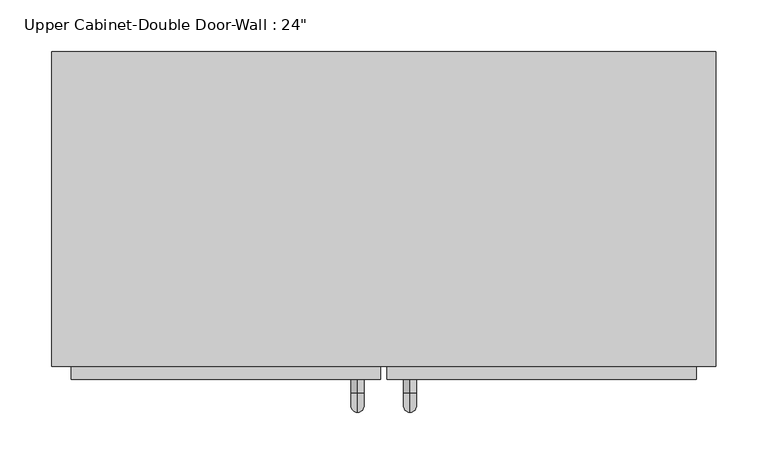
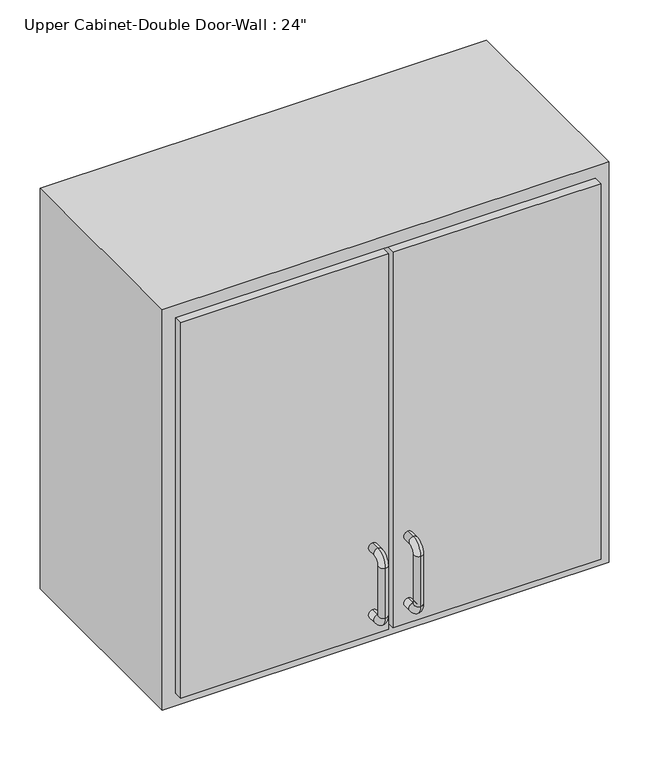
"""IFC4 building model written with IfcOpenShell, lengths in millimetres: furniture geometry."""

from ifc_helpers import new_model, si_unit, point, frame, origin, place, context, project, spatial, polyline, circle_curve, ellipse_curve, trimmed, outline, extrude, faceted_brep, source, transform, mapped, element, save
from ifc_brep_helpers import plane_surface, cylinder_surface, revolved_surface, advanced_brep


def furniture_af4d2b7a(model_context):
    return source(origin(), model_context, "Body", "SolidModel", [
        faceted_brep([(-291.7857108, -76.2, 2133.6), (351.3280364, -76.2, 2133.6), (351.3280364, -76.2, 1524.0), (-291.7857108, -76.2, 1524.0), (-291.7857108, -381.0, 2133.6), (-291.7857108, -381.0, 1524.0), (351.3280364, -381.0, 1524.0), (351.3280364, -381.0, 2133.6), (-272.7357108, -381.0, 2114.55), (332.2780364, -381.0, 2114.55), (332.2780364, -381.0, 1543.05), (-272.7357108, -381.0, 1543.05), (-272.7357108, -95.25, 2114.55), (332.2780364, -95.25, 2114.55), (332.2780364, -95.25, 1543.05), (-272.7357108, -95.25, 1543.05)], [[[0, 1, 2, 3]], [[4, 5, 6, 7], [8, 9, 10, 11]], [[3, 5, 4, 0]], [[2, 6, 5, 3]], [[1, 7, 6, 2]], [[0, 4, 7, 1]], [[8, 12, 13, 9]], [[9, 13, 14, 10]], [[10, 14, 15, 11]], [[11, 15, 12, 8]], [[12, 15, 14, 13]]]),
        advanced_brep(
        [(55.1711628, -393.7, 1670.05), (55.1711628, -393.7, 1682.75), (55.1711628, -406.4, 1682.75), (55.1711628, -406.4, 1670.05), (55.1711628, -425.45, 1663.7), (55.1711628, -412.75, 1663.7), (55.1711628, -425.45, 1587.5), (55.1711628, -412.75, 1587.5), (55.1711628, -406.4, 1568.45), (55.1711628, -406.4, 1581.15), (55.1711628, -393.7, 1581.15), (55.1711628, -393.7, 1568.45)],
        [
            (0, 1, circle_curve(frame((55.1711628, -393.7, 1676.4), z_axis=(0.0, 1.0, 0.0), x_axis=(0.0, 0.0, -1.0)), 6.35)),
            (1, 0, circle_curve(frame((55.1711628, -393.7, 1676.4), z_axis=(0.0, 1.0, 0.0), x_axis=(0.0, 0.0, -1.0)), 6.35)),
            (1, 2),
            (2, 3, circle_curve(frame((55.1711628, -406.4, 1676.4), z_axis=(0.0, 1.0, 0.0), x_axis=(0.0, 0.0, -1.0)), 6.35)),
            (3, 0),
            (3, 2, circle_curve(frame((55.1711628, -406.4, 1676.4), z_axis=(0.0, 1.0, 0.0), x_axis=(0.0, 0.0, -1.0)), 6.35)),
            (4, 5, circle_curve(frame((55.1711628, -419.1, 1663.7), z_axis=(0.0, 0.0, 1.0), x_axis=(0.0, 1.0, 0.0)), 6.35)),
            (5, 3, circle_curve(frame((55.1711628, -406.4, 1663.7), z_axis=(-1.0, 0.0, 0.0), x_axis=(0.0, 0.0, 1.0)), 6.35)),
            (2, 4, circle_curve(frame((55.1711628, -406.4, 1663.7), z_axis=(1.0, 0.0, 0.0), x_axis=(0.0, 0.0, 1.0)), 19.05)),
            (5, 4, circle_curve(frame((55.1711628, -419.1, 1663.7), z_axis=(0.0, 0.0, 1.0), x_axis=(0.0, 1.0, 0.0)), 6.35)),
            (4, 6),
            (6, 7, circle_curve(frame((55.1711628, -419.1, 1587.5), z_axis=(0.0, 0.0, 1.0), x_axis=(0.0, 1.0, 0.0)), 6.35)),
            (7, 5),
            (7, 6, circle_curve(frame((55.1711628, -419.1, 1587.5), z_axis=(0.0, 0.0, 1.0), x_axis=(0.0, 1.0, 0.0)), 6.35)),
            (8, 9, circle_curve(frame((55.1711628, -406.4, 1574.8), z_axis=(0.0, -1.0, 0.0), x_axis=(0.0, 0.0, 1.0)), 6.35)),
            (9, 7, circle_curve(frame((55.1711628, -406.4, 1587.5), z_axis=(-1.0, 0.0, 0.0), x_axis=(0.0, -1.0, 0.0)), 6.35)),
            (6, 8, circle_curve(frame((55.1711628, -406.4, 1587.5), z_axis=(1.0, 0.0, 0.0), x_axis=(0.0, -1.0, 0.0)), 19.05)),
            (9, 8, circle_curve(frame((55.1711628, -406.4, 1574.8), z_axis=(0.0, -1.0, 0.0), x_axis=(0.0, 0.0, 1.0)), 6.35)),
            (10, 11, circle_curve(frame((55.1711628, -393.7, 1574.8), z_axis=(0.0, 1.0, 0.0), x_axis=(0.0, 0.0, 1.0)), 6.35)),
            (11, 10, circle_curve(frame((55.1711628, -393.7, 1574.8), z_axis=(0.0, 1.0, 0.0), x_axis=(0.0, 0.0, 1.0)), 6.35)),
            (8, 11),
            (10, 9),
        ],
        [
            plane_surface(frame((48.8211628, -393.7, 1676.4), z_axis=(0.0, 1.0, 0.0), x_axis=(0.0, 0.0, 1.0))),
            cylinder_surface(frame((55.1711628, -393.7, 1676.4), z_axis=(0.0, 1.0, 0.0), x_axis=(0.0, 0.0, -1.0)), 6.35),
            revolved_surface(trimmed(ellipse_curve(frame((55.1711628, -406.4, 1676.4), z_axis=(0.0, -1.0, 0.0), x_axis=(0.0, 0.0, -1.0)), 6.35, 6.35), [point((55.1711628, -406.4, 1670.05))], [point((55.1711628, -406.4, 1682.75))], True, "CARTESIAN"), (55.1711628, -406.4, 1663.7), (-1.0, 0.0, 0.0)),
            revolved_surface(trimmed(ellipse_curve(frame((55.1711628, -406.4, 1676.4), z_axis=(0.0, -1.0, 0.0), x_axis=(0.0, 0.0, -1.0)), 6.35, 6.35), [point((55.1711628, -406.4, 1682.75))], [point((55.1711628, -406.4, 1670.05))], True, "CARTESIAN"), (55.1711628, -406.4, 1663.7), (-1.0, 0.0, 0.0)),
            cylinder_surface(frame((55.1711628, -419.1, 1663.7), z_axis=(0.0, 0.0, 1.0), x_axis=(0.0, 1.0, 0.0)), 6.35),
            revolved_surface(trimmed(ellipse_curve(frame((55.1711628, -419.1, 1587.5), z_axis=(0.0, 0.0, -1.0), x_axis=(0.0, 1.0, 0.0)), 6.35, 6.35), [point((55.1711628, -412.75, 1587.5))], [point((55.1711628, -425.45, 1587.5))], True, "CARTESIAN"), (55.1711628, -406.4, 1587.5), (-1.0, 0.0, 0.0)),
            revolved_surface(trimmed(ellipse_curve(frame((55.1711628, -419.1, 1587.5), z_axis=(0.0, 0.0, -1.0), x_axis=(0.0, 1.0, 0.0)), 6.35, 6.35), [point((55.1711628, -425.45, 1587.5))], [point((55.1711628, -412.75, 1587.5))], True, "CARTESIAN"), (55.1711628, -406.4, 1587.5), (-1.0, 0.0, 0.0)),
            plane_surface(frame((48.8211628, -393.7, 1574.8), z_axis=(0.0, 1.0, 0.0), x_axis=(0.0, 0.0, -1.0))),
            cylinder_surface(frame((55.1711628, -406.4, 1574.8), z_axis=(0.0, -1.0, 0.0), x_axis=(0.0, 0.0, 1.0)), 6.35),
        ],
        [
            (0, [[1, 2]]),
            (1, [[3, 4, 5, -2]]),
            (1, [[-5, 6, -3, -1]]),
            (2, [[7, 8, -4, 9]]),
            (3, [[10, -9, -6, -8]]),
            (4, [[11, 12, 13, -7]]),
            (4, [[-13, 14, -11, -10]]),
            (5, [[15, 16, -12, 17]]),
            (6, [[18, -17, -14, -16]]),
            (7, [[19, 20]]),
            (8, [[21, -19, 22, -15]]),
            (8, [[-22, -20, -21, -18]]),
        ],
    ),
        advanced_brep(
        [(4.3711628, -393.7, 1670.05), (4.3711628, -393.7, 1682.75), (4.3711628, -406.4, 1682.75), (4.3711628, -406.4, 1670.05), (4.3711628, -425.45, 1663.7), (4.3711628, -412.75, 1663.7), (4.3711628, -425.45, 1587.5), (4.3711628, -412.75, 1587.5), (4.3711628, -406.4, 1568.45), (4.3711628, -406.4, 1581.15), (4.3711628, -393.7, 1581.15), (4.3711628, -393.7, 1568.45)],
        [
            (0, 1, circle_curve(frame((4.3711628, -393.7, 1676.4), z_axis=(0.0, 1.0, 0.0), x_axis=(0.0, 0.0, 1.0)), 6.35)),
            (1, 0, circle_curve(frame((4.3711628, -393.7, 1676.4), z_axis=(0.0, 1.0, 0.0), x_axis=(0.0, 0.0, 1.0)), 6.35)),
            (1, 2),
            (2, 3, circle_curve(frame((4.3711628, -406.4, 1676.4), z_axis=(0.0, 1.0, 0.0), x_axis=(0.0, 0.0, 1.0)), 6.35)),
            (3, 0),
            (3, 2, circle_curve(frame((4.3711628, -406.4, 1676.4), z_axis=(0.0, 1.0, 0.0), x_axis=(0.0, 0.0, 1.0)), 6.35)),
            (4, 5, circle_curve(frame((4.3711628, -419.1, 1663.7), z_axis=(0.0, 0.0, 1.0), x_axis=(0.0, -1.0, 0.0)), 6.35)),
            (5, 3, circle_curve(frame((4.3711628, -406.4, 1663.7), z_axis=(-1.0, 0.0, 0.0), x_axis=(0.0, 0.0, 1.0)), 6.35)),
            (2, 4, circle_curve(frame((4.3711628, -406.4, 1663.7), z_axis=(1.0, 0.0, 0.0), x_axis=(0.0, 0.0, 1.0)), 19.05)),
            (5, 4, circle_curve(frame((4.3711628, -419.1, 1663.7), z_axis=(0.0, 0.0, 1.0), x_axis=(0.0, -1.0, 0.0)), 6.35)),
            (4, 6),
            (6, 7, circle_curve(frame((4.3711628, -419.1, 1587.5), z_axis=(0.0, 0.0, 1.0), x_axis=(0.0, -1.0, 0.0)), 6.35)),
            (7, 5),
            (7, 6, circle_curve(frame((4.3711628, -419.1, 1587.5), z_axis=(0.0, 0.0, 1.0), x_axis=(0.0, -1.0, 0.0)), 6.35)),
            (8, 9, circle_curve(frame((4.3711628, -406.4, 1574.8), z_axis=(0.0, -1.0, 0.0), x_axis=(0.0, 0.0, -1.0)), 6.35)),
            (9, 7, circle_curve(frame((4.3711628, -406.4, 1587.5), z_axis=(-1.0, 0.0, 0.0), x_axis=(0.0, -1.0, 0.0)), 6.35)),
            (6, 8, circle_curve(frame((4.3711628, -406.4, 1587.5), z_axis=(1.0, 0.0, 0.0), x_axis=(0.0, -1.0, 0.0)), 19.05)),
            (9, 8, circle_curve(frame((4.3711628, -406.4, 1574.8), z_axis=(0.0, -1.0, 0.0), x_axis=(0.0, 0.0, -1.0)), 6.35)),
            (10, 11, circle_curve(frame((4.3711628, -393.7, 1574.8), z_axis=(0.0, 1.0, 0.0), x_axis=(0.0, 0.0, -1.0)), 6.35)),
            (11, 10, circle_curve(frame((4.3711628, -393.7, 1574.8), z_axis=(0.0, 1.0, 0.0), x_axis=(0.0, 0.0, -1.0)), 6.35)),
            (8, 11),
            (10, 9),
        ],
        [
            plane_surface(frame((-1.9788372, -393.7, 1676.4), z_axis=(0.0, 1.0, 0.0), x_axis=(0.0, 0.0, 1.0))),
            cylinder_surface(frame((4.3711628, -393.7, 1676.4), z_axis=(0.0, 1.0, 0.0), x_axis=(0.0, 0.0, 1.0)), 6.35),
            revolved_surface(trimmed(ellipse_curve(frame((4.3711628, -406.4, 1676.4), z_axis=(0.0, -1.0, 0.0), x_axis=(0.0, 0.0, 1.0)), 6.35, 6.35), [point((4.3711628, -406.4, 1670.05))], [point((4.3711628, -406.4, 1682.75))], True, "CARTESIAN"), (4.3711628, -406.4, 1663.7), (-1.0, 0.0, 0.0)),
            revolved_surface(trimmed(ellipse_curve(frame((4.3711628, -406.4, 1676.4), z_axis=(0.0, -1.0, 0.0), x_axis=(0.0, 0.0, 1.0)), 6.35, 6.35), [point((4.3711628, -406.4, 1682.75))], [point((4.3711628, -406.4, 1670.05))], True, "CARTESIAN"), (4.3711628, -406.4, 1663.7), (-1.0, 0.0, 0.0)),
            cylinder_surface(frame((4.3711628, -419.1, 1663.7), z_axis=(0.0, 0.0, 1.0), x_axis=(0.0, -1.0, 0.0)), 6.35),
            revolved_surface(trimmed(ellipse_curve(frame((4.3711628, -419.1, 1587.5), z_axis=(0.0, 0.0, -1.0), x_axis=(0.0, -1.0, 0.0)), 6.35, 6.35), [point((4.3711628, -412.75, 1587.5))], [point((4.3711628, -425.45, 1587.5))], True, "CARTESIAN"), (4.3711628, -406.4, 1587.5), (-1.0, 0.0, 0.0)),
            revolved_surface(trimmed(ellipse_curve(frame((4.3711628, -419.1, 1587.5), z_axis=(0.0, 0.0, -1.0), x_axis=(0.0, -1.0, 0.0)), 6.35, 6.35), [point((4.3711628, -425.45, 1587.5))], [point((4.3711628, -412.75, 1587.5))], True, "CARTESIAN"), (4.3711628, -406.4, 1587.5), (-1.0, 0.0, 0.0)),
            plane_surface(frame((-1.9788372, -393.7, 1574.8), z_axis=(0.0, 1.0, 0.0), x_axis=(0.0, 0.0, -1.0))),
            cylinder_surface(frame((4.3711628, -406.4, 1574.8), z_axis=(0.0, -1.0, 0.0), x_axis=(0.0, 0.0, -1.0)), 6.35),
        ],
        [
            (0, [[1, 2]]),
            (1, [[3, 4, 5, -2]]),
            (1, [[-5, 6, -3, -1]]),
            (2, [[7, 8, -4, 9]]),
            (3, [[10, -9, -6, -8]]),
            (4, [[11, 12, 13, -7]]),
            (4, [[-13, 14, -11, -10]]),
            (5, [[15, 16, -12, 17]]),
            (6, [[18, -17, -14, -16]]),
            (7, [[19, 20]]),
            (8, [[21, -19, 22, -15]]),
            (8, [[-22, -20, -21, -18]]),
        ],
    ),
        extrude(outline(polyline([(32.9461628, -393.7), (32.9461628, -361.95), (332.2780364, -361.95), (332.2780364, -393.7), (32.9461628, -393.7)])), frame((0.0, 0.0, 1543.05), z_axis=(0.0, 0.0, 1.0), x_axis=(1.0, 0.0, 0.0)), (0.0, 0.0, 1.0), 571.5),
        extrude(outline(polyline([(-272.7357108, -393.7), (-272.7357108, -361.95), (26.5961628, -361.95), (26.5961628, -393.7), (-272.7357108, -393.7)])), frame((0.0, 0.0, 1543.05), z_axis=(0.0, 0.0, 1.0), x_axis=(1.0, 0.0, 0.0)), (0.0, 0.0, 1.0), 571.5),
    ])


if __name__ == "__main__":
    model = new_model("IFC4")
    model_context = context("Model", 3, world=origin())
    ifc_project = project(units=[si_unit("LENGTHUNIT", "METRE", prefix="MILLI")], contexts=[model_context])
    site = spatial("IfcSite", under=ifc_project)
    building = spatial("IfcBuilding", under=site)
    placement = place(None, origin())
    furniture_shape = furniture_af4d2b7a(model_context)
    element("IfcFurniture", 1, ObjectType="Upper Cabinet-Double Door-Wall : 24\"", at=placement, inside=building, context=model_context, shape_type="MappedRepresentation", body=[
        mapped(furniture_shape, transform((0.0, 0.0, 0.0), x_axis=(1.0, 0.0, 0.0), y_axis=(0.0, 1.0, 0.0), z_axis=(0.0, 0.0, 1.0))),
    ])
    save(model, "model.ifc")
